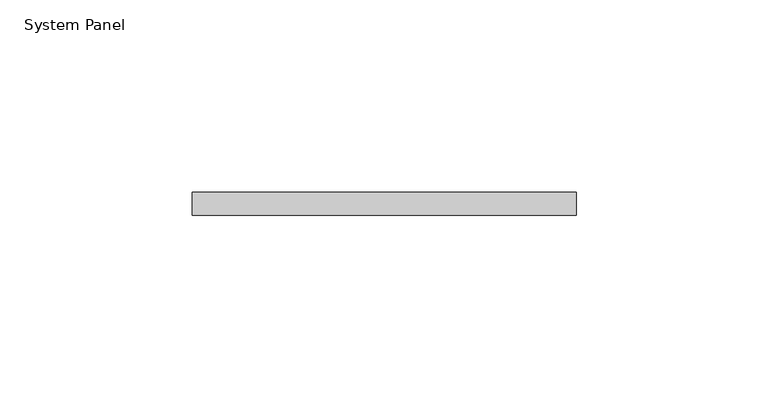
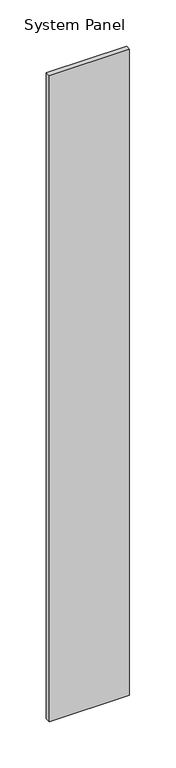
"""IFC4 building model written with IfcOpenShell, lengths in millimetres: plate geometry, System Panel."""

import ifcopenshell
import ifcopenshell.guid

model = None  # the IFC model being written
_history = None  # IfcOwnerHistory: only IFC2X3 demands one
_inside = {}  # id of a spatial element -> (the spatial element, [elements in it])
_under = {}  # id of a project, library or spatial element -> (it, [spatial elements below it])
_declared = {}  # id of a project -> (the project, [libraries it declares])
_typed = {}  # id of a type object -> (the type object, [elements of that type])
_made_of = {}  # id of a material, layer set ... -> (it, [elements and type objects made of it])


def new_model(schema):
    """Start an empty IFC model of exactly this schema.

    Asked for "IFC4X3", IfcOpenShell would pick the latest addendum, in which some entities
    have other attributes; the version numbers below select the first issue.
    IFC2X3 requires an IfcOwnerHistory on every rooted entity: one is made here for all.
    """
    global model, _history
    if schema == "IFC4X3":
        model = ifcopenshell.file(schema_version=(4, 3, 0, 0))
    else:
        model = ifcopenshell.file(schema=schema)
    _inside.clear()
    _under.clear()
    _declared.clear()
    _typed.clear()
    _made_of.clear()
    _history = None
    if model.schema == "IFC2X3":
        org = make("IfcOrganization", Name="unknown")
        user = make(
            "IfcPersonAndOrganization",
            ThePerson=make("IfcPerson", FamilyName="unknown"),
            TheOrganization=org,
        )
        app = make(
            "IfcApplication",
            ApplicationDeveloper=org,
            Version="unknown",
            ApplicationFullName="unknown",
            ApplicationIdentifier="unknown",
        )
        _history = make(
            "IfcOwnerHistory",
            OwningUser=user,
            OwningApplication=app,
            ChangeAction="ADDED",
            CreationDate=0,
        )
    return model


def make(cls, **values):
    """One entity of the class cls with the attributes given. An attribute that is None is left unset."""
    return model.create_entity(
        cls, **{name: value for name, value in values.items() if value is not None}
    )


def rooted(cls, **values):
    """An entity with a GlobalId (a new one), such as an element, a storey or a relation."""
    return make(cls, GlobalId=ifcopenshell.guid.new(), OwnerHistory=_history, **values)


def si_unit(unit_type, name, prefix=None):
    """IfcSIUnit, for example si_unit("LENGTHUNIT", "METRE", prefix="MILLI")."""
    return make("IfcSIUnit", UnitType=unit_type, Prefix=prefix, Name=name)


def assignment(units):
    """IfcUnitAssignment: the units of a project."""
    return None if units is None else make("IfcUnitAssignment", Units=units)


def point(xyz):
    """IfcCartesianPoint."""
    return None if xyz is None else make("IfcCartesianPoint", Coordinates=xyz)


def direction(xyz):
    """IfcDirection."""
    return None if xyz is None else make("IfcDirection", DirectionRatios=xyz)


def frame(location, z_axis=None, x_axis=None):
    """IfcAxis2Placement3D, a coordinate frame: its origin and axes. An axis left out is left unset."""
    return make(
        "IfcAxis2Placement3D",
        Location=point(location),
        Axis=direction(z_axis),
        RefDirection=direction(x_axis),
    )


def origin():
    """The frame at (0, 0, 0) with its axes left unset."""
    return frame((0.0, 0.0, 0.0))


def origin_with_axes():
    """The frame at (0, 0, 0) with the z axis (0, 0, 1) and the x axis (1, 0, 0) written out."""
    return frame((0.0, 0.0, 0.0), z_axis=(0.0, 0.0, 1.0), x_axis=(1.0, 0.0, 0.0))


def place(relative_to, where):
    """IfcLocalPlacement: puts the frame where relative to a parent placement (None: the world)."""
    return make(
        "IfcLocalPlacement", PlacementRelTo=relative_to, RelativePlacement=where
    )


def context(
    kind, dimensions, precision=None, world=None, true_north=None, identifier=None
):
    """IfcGeometricRepresentationContext, for example the 3D "Model" context."""
    return make(
        "IfcGeometricRepresentationContext",
        ContextIdentifier=identifier,
        ContextType=kind,
        CoordinateSpaceDimension=dimensions,
        Precision=precision,
        WorldCoordinateSystem=world,
        TrueNorth=true_north,
    )


def project(units=None, contexts=None):
    """IfcProject with its units and contexts."""
    return rooted(
        "IfcProject",
        Name="project",
        RepresentationContexts=contexts,
        UnitsInContext=assignment(units),
    )


def spatial(cls, under=None, at=None, **own):
    """A site, building, storey or space (cls), placed at a placement, below another one or the project."""
    s = rooted(cls, ObjectPlacement=at, **own)
    if under is not None:
        _under.setdefault(under.id(), (under, []))[1].append(s)
    return s


def polyline(points):
    """IfcPolyline through the points."""
    return make("IfcPolyline", Points=[point(p) for p in points])


def outline(outer, holes=None, kind="AREA"):
    """IfcArbitraryClosedProfileDef: a profile drawn as a closed curve; with holes, ...WithVoids."""
    if holes is None:
        return make("IfcArbitraryClosedProfileDef", ProfileType=kind, OuterCurve=outer)
    return make(
        "IfcArbitraryProfileDefWithVoids",
        ProfileType=kind,
        OuterCurve=outer,
        InnerCurves=holes,
    )


def extrude(swept, where, along, depth):
    """IfcExtrudedAreaSolid: the profile swept, set in the frame where, extruded along a direction by depth."""
    return make(
        "IfcExtrudedAreaSolid",
        SweptArea=swept,
        Position=where,
        ExtrudedDirection=direction(along),
        Depth=depth,
    )


def shape(context_of_items, identifier, shape_type, items):
    """IfcShapeRepresentation: the items that make up one representation, for example the "Body"."""
    return make(
        "IfcShapeRepresentation",
        ContextOfItems=context_of_items,
        RepresentationIdentifier=identifier,
        RepresentationType=shape_type,
        Items=items,
    )


def source(mapping_origin, context_of_items, identifier, shape_type, items):
    """IfcRepresentationMap: a shape defined once, which mapped items show again and again."""
    return make(
        "IfcRepresentationMap",
        MappingOrigin=mapping_origin,
        MappedRepresentation=shape(context_of_items, identifier, shape_type, items),
    )


def transform(
    local_origin,
    x_axis=None,
    y_axis=None,
    z_axis=None,
    scale=None,
    scale2=None,
    scale3=None,
    uniform=True,
):
    """IfcCartesianTransformationOperator3D, or its non-uniform kind. x_axis, y_axis, z_axis: its Axis1, 2, 3."""
    if uniform:
        return make(
            "IfcCartesianTransformationOperator3D",
            Axis1=direction(x_axis),
            Axis2=direction(y_axis),
            LocalOrigin=point(local_origin),
            Scale=scale,
            Axis3=direction(z_axis),
        )
    return make(
        "IfcCartesianTransformationOperator3DnonUniform",
        Axis1=direction(x_axis),
        Axis2=direction(y_axis),
        LocalOrigin=point(local_origin),
        Scale=scale,
        Axis3=direction(z_axis),
        Scale2=scale2,
        Scale3=scale3,
    )


def mapped(mapping_source, mapping_target):
    """IfcMappedItem: shows the shape of a source again, moved by a transform."""
    return make(
        "IfcMappedItem", MappingSource=mapping_source, MappingTarget=mapping_target
    )


def made_of(thing, what):
    """Note that an element or type object is made of a material, layer set ...; save() writes the relation."""
    if what is not None:
        _made_of.setdefault(what.id(), (what, []))[1].append(thing)
    return thing


def element(
    cls,
    number,
    at=None,
    inside=None,
    cuts=None,
    type_object=None,
    material=None,
    context=None,
    identifier="Body",
    shape_type=None,
    held_by="IfcProductDefinitionShape",
    body=None,
    shapes=None,
    **own,
):
    """One element of the class cls, such as IfcWall. Its Tag is "e" and its number.

    at: its placement. inside: the storey or other place that contains it. cuts: it is an
    opening in that element (IfcRelVoidsElement). A single representation is given by context,
    identifier, shape_type and body (its items); several are given by shapes. held_by: the class
    of the entity that holds the representations. save() writes the other relations.
    """
    e = rooted(cls, Tag="e%d" % number, ObjectPlacement=at, **own)
    if body is not None:
        shapes = [shape(context, identifier, shape_type, body)]
    if shapes is not None:
        e.Representation = make(held_by, Representations=shapes)
    if inside is not None:
        _inside.setdefault(inside.id(), (inside, []))[1].append(e)
    if cuts is not None:
        rooted(
            "IfcRelVoidsElement", RelatingBuildingElement=cuts, RelatedOpeningElement=e
        )
    if type_object is not None:
        _typed.setdefault(type_object.id(), (type_object, []))[1].append(e)
    return made_of(e, material)


def aggregate(whole, parts):
    """IfcRelAggregates: a whole, such as a stair, and the parts it consists of."""
    return rooted("IfcRelAggregates", RelatingObject=whole, RelatedObjects=parts)


def save(model, path):
    """Write the relations noted so far, then the file.

    IfcRelAggregates (storeys below a building ...), IfcRelContainedInSpatialStructure (elements
    in a storey), IfcRelDefinesByType, IfcRelAssociatesMaterial and IfcRelDeclares: one each for
    every whole, place, type object, material and project.
    """
    for whole, parts in _under.values():
        aggregate(whole, parts)
    for where, things in _inside.values():
        rooted(
            "IfcRelContainedInSpatialStructure",
            RelatedElements=things,
            RelatingStructure=where,
        )
    for kind, things in _typed.values():
        rooted("IfcRelDefinesByType", RelatedObjects=things, RelatingType=kind)
    for what, things in _made_of.values():
        rooted("IfcRelAssociatesMaterial", RelatedObjects=things, RelatingMaterial=what)
    for by, libraries in _declared.values():
        rooted("IfcRelDeclares", RelatingContext=by, RelatedDefinitions=libraries)
    model.write(path)


def system_panel_0f7627ec(model_context):
    return source(origin(), model_context, "Body", "SweptSolid", [
        extrude(outline(polyline([(50.0, -3.0), (-50.0, -3.0), (-50.0, 3.0), (50.0, 3.0), (50.0, -3.0)])), origin_with_axes(), (0.0, 0.0, 1.0), 850.0),
    ])


if __name__ == "__main__":
    model = new_model("IFC4")
    model_context = context("Model", 3, world=origin())
    ifc_project = project(units=[si_unit("LENGTHUNIT", "METRE", prefix="MILLI")], contexts=[model_context])
    site = spatial("IfcSite", under=ifc_project)
    building = spatial("IfcBuilding", under=site)
    placement = place(None, origin())
    system_panel_shape = system_panel_0f7627ec(model_context)
    element("IfcPlate", 1, ObjectType="System Panel", at=placement, inside=building, context=model_context, shape_type="MappedRepresentation", body=[
        mapped(system_panel_shape, transform((0.0, 0.0, 0.0), x_axis=(1.0, 0.0, 0.0), y_axis=(0.0, 1.0, 0.0), z_axis=(0.0, 0.0, 1.0))),
    ])
    save(model, "model.ifc")
